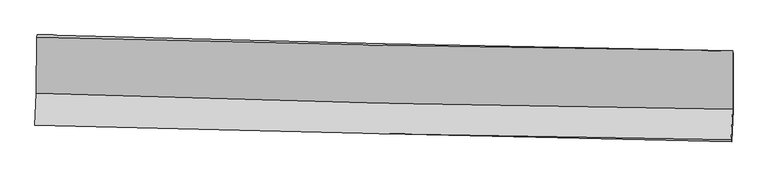
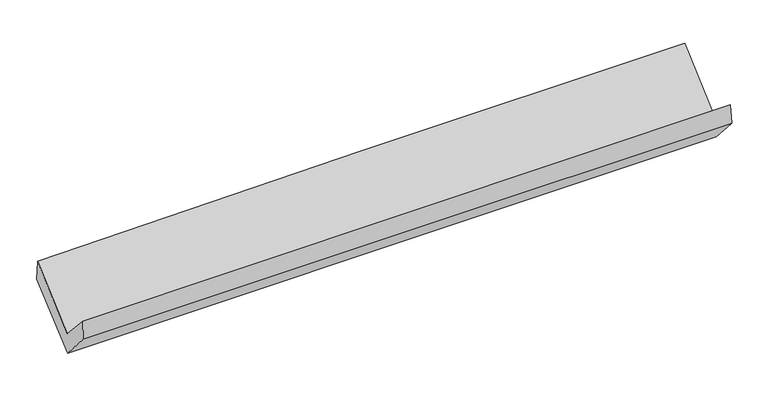
"""IFC4 building model written with IfcOpenShell, lengths in millimetres: proxy geometry."""

from ifc_helpers import new_model, si_unit, frame, origin, place, context, project, spatial, source, transform, mapped, element, save
from ifc_brep_helpers import plane_surface, spline_curve, spline_surface, advanced_brep


def generic_models_36eb55ac(model_context):
    return source(origin(), model_context, "Body", "AdvancedBrep", [
        advanced_brep(
        [(-3022.965109, -1166.2333528, 2177.9247319), (-3024.4115523, -1654.5075166, 1749.9986961), (3013.5498116, -1789.5755265, 1868.974094), (3013.5422931, -1285.6689758, 2310.5374396), (-3037.2565732, -1929.4752574, 2048.9362373), (3000.7463654, -2056.7694908, 2173.8922762), (-3033.1152766, -1927.9563565, 1864.6102594), (3004.6973562, -2071.740835, 1994.4884301), (-3020.111046, -1654.0781846, 1557.4277112), (3017.6072862, -1799.1655079, 1689.8006266), (-3018.2842401, -1146.670785, 1987.5954999), (3017.6000614, -1314.9429878, 2114.1152454)],
        [
            (0, 1),
            (1, 2, spline_curve(3, [(-3024.4115523, -1654.5075166, 1749.9986961), (-2018.483939401, -1687.691598683, 1782.968533546), (-1012.296291836, -1715.54001745, 1809.368470099), (1000.357620939, -1760.560127821, 1849.023783971), (2006.82376132, -1777.734378765, 1862.282313482), (3013.5498116, -1789.5755265, 1868.974094)], [4, 2, 4], [0.0, 9.909496559260575, 19.81661577813025])),
            (2, 3),
            (3, 0, spline_curve(3, [(3013.5422931, -1285.6689758, 2310.5374396), (2007.099168349, -1272.860470526, 2304.705216266), (1000.895642331, -1256.504868584, 2290.740347232), (-1011.273606885, -1216.694697108, 2246.540014586), (-2017.239214804, -1193.238424127, 2216.300647958), (-3022.965109, -1166.2333528, 2177.9247319)], [4, 2, 4], [0.0, 9.907119218869674, 19.81661577813025])),
            (1, 4),
            (4, 5, spline_curve(3, [(-3037.2565732, -1929.4752574, 2048.9362373), (-2031.017529637, -1957.170680807, 2073.760680007), (-1024.670720023, -1981.627129462, 2096.586914094), (987.996978072, -2024.056986754, 2138.237968153), (1994.317814429, -2042.031949219, 2157.063747305), (3000.7463654, -2056.7694908, 2173.8922762)], [4, 2, 4], [0.0, 9.910551406100883, 19.818725218747556])),
            (5, 2),
            (4, 6),
            (6, 7, spline_curve(3, [(-3033.1152766, -1927.9563565, 1864.6102594), (-2026.544514275, -1948.414556305, 1883.492346277), (-1020.04772776, -1970.627344074, 1903.758035126), (992.556447429, -2018.556345426, 1947.051422695), (1998.663871842, -2044.271717191, 1970.078457456), (3004.6973562, -2071.740835, 1994.4884301)], [4, 2, 4], [0.0, 9.910596777287658, 19.81881595023632])),
            (7, 5),
            (6, 8),
            (8, 9, spline_curve(3, [(-3020.111046, -1654.0781846, 1557.4277112), (-2013.842884011, -1680.972631237, 1583.356409027), (-1007.505239873, -1706.511752666, 1607.352925916), (1005.067571106, -1754.873543514, 1651.476304334), (2011.302704237, -1777.696863064, 1671.604092488), (3017.6072862, -1799.1655079, 1689.8006266)], [4, 2, 4], [0.0, 9.91082870198975, 19.819279744000546])),
            (9, 7),
            (8, 10),
            (10, 11, spline_curve(3, [(-3018.2842401, -1146.670785, 1987.5954999), (-2012.179127497, -1169.623819402, 2014.545001337), (-1006.075870981, -1195.125007787, 2038.563977573), (1005.885562159, -1251.216964828, 2080.735820396), (2011.743739312, -1281.806510359, 2098.890092394), (3017.6000614, -1314.9429878, 2114.1152454)], [4, 2, 4], [0.0, 9.909724515954991, 19.817071636831074])),
            (11, 9),
            (10, 0),
            (3, 11),
        ],
        [
            spline_surface(3, 3, [[(-3022.965109, -1166.2333528, 2177.9247319), (-2017.239214701, -1193.238424268, 2216.300647905), (-1011.273606791, -1216.694696952, 2246.540014729), (1000.895642238, -1256.50486874, 2290.740347089), (2007.099168376, -1272.860470387, 2304.705216178), (3013.5422931, -1285.6689758, 2310.5374396)], [(-3023.447256762, -1328.991407382, 2035.282719951), (-2017.654122941, -1358.056149065, 2071.856609759), (-1011.614501786, -1382.976470472, 2100.816166521), (1000.716301796, -1424.523288384, 2143.501492775), (2007.007365993, -1441.151773183, 2157.230915287), (3013.544799248, -1453.637826008, 2163.349657732)], [(-3023.929404538, -1491.749462018, 1892.640708049), (-2018.069031194, -1522.873873916, 1927.412571659), (-1011.955396798, -1549.258244036, 1955.092318221), (1000.536961337, -1592.541708072, 1996.26263837), (2006.915563666, -1609.443076055, 2009.756614401), (3013.547305452, -1621.606676292, 2016.161875868)], [(-3024.4115523, -1654.5075166, 1749.9986961), (-2018.483939434, -1687.691598712, 1782.968533513), (-1012.296291793, -1715.540017555, 1809.368470013), (1000.357620896, -1760.560127716, 1849.023784057), (2006.823761283, -1777.734378851, 1862.28231351), (3013.5498116, -1789.5755265, 1868.974094)]], [4, 4], [4, 2, 4], [0.0, 2.1875182305353156], [0.0, 9.909496559260575, 19.81661577813025]),
            spline_surface(3, 3, [[(-3024.4115523, -1654.5075166, 1749.9986961), (-2018.483939434, -1687.691598712, 1782.968533513), (-1012.296291793, -1715.540017555, 1809.368470013), (1000.357620896, -1760.560127716, 1849.023784057), (2006.823761283, -1777.734378851, 1862.28231351), (3013.5498116, -1789.5755265, 1868.974094)], [(-3028.693225936, -1746.163430194, 1849.644543179), (-2022.661802846, -1777.517959431, 1879.89924898), (-1016.421101188, -1804.235721531, 1905.107951313), (996.237406571, -1848.392414051, 1945.42851211), (2002.655112362, -1865.83356899, 1960.542791389), (3009.281996227, -1878.640181278, 1970.613488056)], [(-3032.974899564, -1837.819343806, 1949.290390221), (-2026.839666251, -1867.344320168, 1976.829964409), (-1020.54591053, -1892.931425514, 2000.847432671), (992.117192299, -1936.224700392, 2041.833240222), (1998.48646336, -1953.932759095, 2058.8032693), (3005.014180773, -1967.704836022, 2072.252882144)], [(-3037.2565732, -1929.4752574, 2048.9362373), (-2031.017529663, -1957.170680887, 2073.760679875), (-1024.670719926, -1981.627129489, 2096.586913972), (987.996977975, -2024.056986727, 2138.237968275), (1994.317814439, -2042.031949234, 2157.063747179), (3000.7463654, -2056.7694908, 2173.8922762)]], [4, 4], [4, 2, 4], [0.0, 1.2847176768878579], [0.0, 9.910551406100883, 19.818725218747556]),
            spline_surface(3, 3, [[(-3037.2565732, -1929.4752574, 2048.9362373), (-2031.017529663, -1957.170680887, 2073.760679875), (-1024.670719926, -1981.627129489, 2096.586913972), (987.996977975, -2024.056986727, 2138.237968275), (1994.317814439, -2042.031949234, 2157.063747179), (3000.7463654, -2056.7694908, 2173.8922762)], [(-3035.876141026, -1928.968957111, 1987.494244668), (-2029.526524588, -1954.251972736, 2010.337902055), (-1023.129722572, -1977.960534385, 2032.310621061), (989.51680118, -2022.223439628, 2074.50911971), (1995.766500282, -2042.778538535, 2094.735317236), (3002.063362321, -2061.759938852, 2114.090994169)], [(-3034.495708774, -1928.462656789, 1926.052252032), (-2028.035519435, -1951.333264551, 1946.91512423), (-1021.588725247, -1974.293939227, 1968.034328151), (991.036624358, -2020.389892476, 2010.780271145), (1997.215186161, -2043.525127881, 2032.406887287), (3003.380359279, -2066.750386948, 2054.289712131)], [(-3033.1152766, -1927.9563565, 1864.6102594), (-2026.54451436, -1948.414556399, 1883.492346409), (-1020.047727893, -1970.627344123, 1903.758035241), (992.556447563, -2018.556345378, 1947.05142258), (1998.663872003, -2044.271717182, 1970.078457345), (3004.6973562, -2071.740835, 1994.4884301)]], [4, 4], [4, 2, 4], [0.0, 0.6307084559959654], [0.0, 9.910596777287658, 19.81881595023632]),
            spline_surface(3, 3, [[(-3033.1152766, -1927.9563565, 1864.6102594), (-2026.54451436, -1948.414556399, 1883.492346409), (-1020.047727893, -1970.627344123, 1903.758035241), (992.556447563, -2018.556345378, 1947.05142258), (1998.663872003, -2044.271717182, 1970.078457345), (3004.6973562, -2071.740835, 1994.4884301)], [(-3028.780533041, -1836.66363254, 1762.216076669), (-2022.310637554, -1859.267247999, 1783.447034005), (-1015.866898506, -1882.588813629, 1804.956332198), (996.726822037, -1930.662078085, 1848.526383135), (2002.876816041, -1955.413432515, 1870.587002391), (3009.000666194, -1980.882392635, 1892.925828923)], [(-3024.445789559, -1745.37090856, 1659.821893931), (-2018.076760825, -1770.119939578, 1683.401721594), (-1011.686069129, -1794.550283154, 1706.1546291), (1000.8971965, -1842.767810812, 1750.001343637), (2007.089760096, -1866.555147842, 1771.095547468), (3013.303976206, -1890.023950265, 1791.363227777)], [(-3020.111046, -1654.0781846, 1557.4277112), (-2013.842884019, -1680.972631177, 1583.356409189), (-1007.505239742, -1706.51175266, 1607.352926057), (1005.067570974, -1754.87354352, 1651.476304193), (2011.302704133, -1777.696863174, 1671.604092514), (3017.6072862, -1799.1655079, 1689.8006266)]], [4, 4], [4, 2, 4], [0.0, 1.3016706582354056], [0.0, 9.91082870198975, 19.819279744000546]),
            spline_surface(3, 3, [[(-3020.111046, -1654.0781846, 1557.4277112), (-2013.842884019, -1680.972631177, 1583.356409189), (-1007.505239742, -1706.51175266, 1607.352926057), (1005.067570974, -1754.87354352, 1651.476304193), (2011.302704133, -1777.696863174, 1671.604092514), (3017.6072862, -1799.1655079, 1689.8006266)], [(-3019.502110718, -1484.942384724, 1700.81697408), (-2013.288298566, -1510.523027216, 1727.08593993), (-1007.028783462, -1536.049504427, 1751.089943255), (1005.340234669, -1586.988017252, 1794.562809543), (2011.449715823, -1612.400078906, 1814.03275921), (3017.604877949, -1637.75800121, 1831.238832893)], [(-3018.893175382, -1315.806584876, 1844.20623702), (-2012.733713059, -1340.073423282, 1870.815470729), (-1006.552327171, -1365.587256164, 1894.826960491), (1005.612898374, -1419.102490952, 1937.64931493), (2011.596727465, -1447.103294606, 1956.461425827), (3017.602469651, -1476.35049449, 1972.677039107)], [(-3018.2842401, -1146.670785, 1987.5954999), (-2012.179127606, -1169.623819321, 2014.54500147), (-1006.075870891, -1195.125007931, 2038.56397769), (1005.885562068, -1251.216964684, 2080.73582028), (2011.743739155, -1281.806510338, 2098.890092523), (3017.6000614, -1314.9429878, 2114.1152454)]], [4, 4], [4, 2, 4], [0.0, 2.1828881342907365], [0.0, 9.909724515954991, 19.817071636831074]),
            spline_surface(3, 3, [[(-3018.2842401, -1146.670785, 1987.5954999), (-2012.179127606, -1169.623819321, 2014.54500147), (-1006.075870891, -1195.125007931, 2038.56397769), (1005.885562068, -1251.216964684, 2080.73582028), (2011.743739155, -1281.806510338, 2098.890092523), (3017.6000614, -1314.9429878, 2114.1152454)], [(-3019.844529717, -1153.191640949, 2051.038577253), (-2013.865823287, -1177.495354319, 2081.796883634), (-1007.808449521, -1202.314904267, 2107.889323353), (1004.222255461, -1252.979599365, 2150.7373292), (2010.195548889, -1278.824497037, 2167.495133735), (3016.24747196, -1305.184983816, 2179.589310127)], [(-3021.404819383, -1159.712496851, 2114.481654547), (-2015.552519019, -1185.36688927, 2149.04876574), (-1009.541028161, -1209.504800616, 2177.214669065), (1002.558948845, -1254.742234059, 2220.738838169), (2008.647358642, -1275.842483688, 2236.100174965), (3014.89488254, -1295.426979784, 2245.063374873)], [(-3022.965109, -1166.2333528, 2177.9247319), (-2017.239214701, -1193.238424268, 2216.300647905), (-1011.273606791, -1216.694696952, 2246.540014729), (1000.895642238, -1256.50486874, 2290.740347089), (2007.099168376, -1272.860470387, 2304.705216178), (3013.5422931, -1285.6689758, 2310.5374396)]], [4, 4], [4, 2, 4], [0.0, 0.6872805062662171], [0.0, 9.9083265989623, 19.814276138213337]),
            plane_surface(frame((3011.290529, -1719.6438873, 2025.301352), z_axis=(0.9995017095047916, -0.0207942965978349, 0.023747208804422867), x_axis=(-1.1221557545991922e-05, 0.752099329289623, 0.6590497695593073))),
            plane_surface(frame((-3026.0239662, -1579.8202422, 1897.748856), z_axis=(-0.9994992266819114, 0.022479084028305465, -0.022270757587240956), x_axis=(0.024457331711262846, 0.1022135476009987, -0.9944617788594913))),
        ],
        [
            (0, [[1, 2, 3, 4]]),
            (1, [[5, 6, 7, -2]]),
            (2, [[8, 9, 10, -6]]),
            (3, [[11, 12, 13, -9]]),
            (4, [[14, 15, 16, -12]]),
            (5, [[17, -4, 18, -15]]),
            (6, [[-16, -18, -3, -7, -10, -13]]),
            (7, [[-17, -14, -11, -8, -5, -1]]),
        ],
    ),
    ])


if __name__ == "__main__":
    model = new_model("IFC4")
    model_context = context("Model", 3, world=origin())
    ifc_project = project(units=[si_unit("LENGTHUNIT", "METRE", prefix="MILLI")], contexts=[model_context])
    site = spatial("IfcSite", under=ifc_project)
    building = spatial("IfcBuilding", under=site)
    placement = place(None, origin())
    generic_models_shape = generic_models_36eb55ac(model_context)
    element("IfcBuildingElementProxy", 1, Name="Generic Models", at=placement, inside=building, context=model_context, shape_type="MappedRepresentation", body=[
        mapped(generic_models_shape, transform((0.0, 0.0, 0.0), x_axis=(1.0, 0.0, 0.0), y_axis=(0.0, 1.0, 0.0), z_axis=(0.0, 0.0, 1.0))),
    ])
    save(model, "model.ifc")
